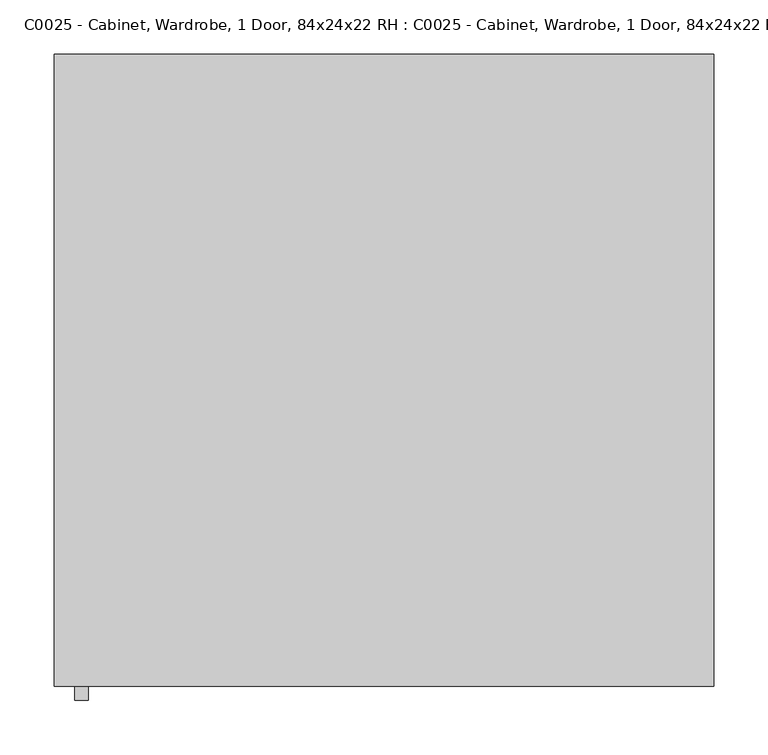
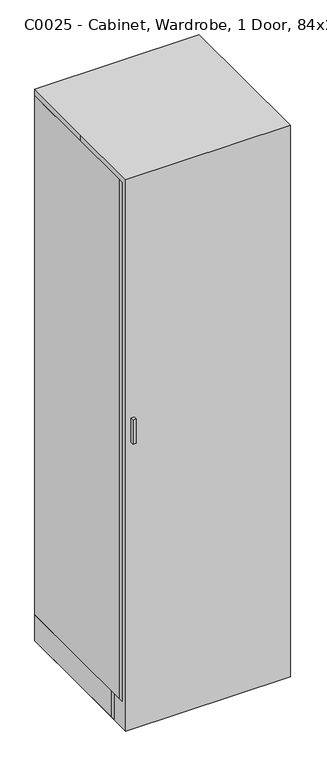
"""IFC4 building model written with IfcOpenShell, lengths in millimetres: proxy geometry, C0025 - Cabinet, Wardrobe, 1 Door, 84x24x22 RH : C0025 - Cabinet, Wardrobe, 1 Door, 84x24x22 RH."""

from ifc_helpers import new_model, si_unit, point, frame, frame_2d, origin, origin_with_axes, place, context, project, spatial, polyline, circle_curve, trimmed, segment, composite_curve, outline, extrude, source, transform, mapped, element, save


def c0025_cabinet_wardrobe_1_door_84x24x22_rh_c0025_cabinet_5a9cb3e1(model_context):
    return source(origin(), model_context, "Body", "SweptSolid", [
        extrude(outline(polyline([(-304.7810937, 1219.2), (-266.7, 1219.2), (-266.7, 1206.5303499), (-292.1114436, 1206.5303499), (-292.1114436, 1136.6574627), (-266.7, 1136.6574627), (-266.7, 1123.9878126), (-304.7810937, 1123.9878126), (-304.7810937, 1219.2)])), frame((-285.6011719, 0.0, 0.0), z_axis=(1.0, 0.0, 0.0), x_axis=(0.0, 1.0, 0.0)), (0.0, 0.0, 1.0), 12.4023437),
        extrude(outline(polyline([(-304.8, -247.65), (-304.8, 292.1), (-285.75, 292.1), (-285.75, -247.65), (-304.8, -247.65)])), frame((0.0, 0.0, 101.6), z_axis=(0.0, 0.0, 1.0), x_axis=(1.0, 0.0, 0.0)), (0.0, 0.0, 1.0), 2032.0),
        extrude(outline(polyline([(304.8, 292.1), (304.8, -247.65), (285.75, -247.65), (285.75, 292.1), (304.8, 292.1)])), frame((0.0, 0.0, 101.6), z_axis=(0.0, 0.0, 1.0), x_axis=(1.0, 0.0, 0.0)), (0.0, 0.0, 1.0), 2032.0),
        extrude(outline(composite_curve([segment(trimmed(circle_curve(frame_2d((0.0, 1572.32055)), 12.7), [point((-12.7, 1572.32055))], [point((12.7, 1572.32055))], False, "CARTESIAN"), True, "CONTINUOUS"), segment(trimmed(circle_curve(frame_2d((0.0, 1572.32055)), 12.7), [point((12.7, 1572.32055))], [point((-12.7, 1572.32055))], False, "CARTESIAN"), True, "CONTINUOUS")], self_intersect=False)), frame((-285.75, 0.0, 0.0), z_axis=(1.0, 0.0, 0.0), x_axis=(0.0, 1.0, 0.0)), (0.0, 0.0, 1.0), 571.5),
        extrude(outline(polyline([(285.75, -247.65), (-285.75, -247.65), (-285.75, 273.05), (285.75, 273.05), (285.75, -247.65)])), frame((0.0, 0.0, 1689.1), z_axis=(0.0, 0.0, 1.0), x_axis=(1.0, 0.0, 0.0)), (0.0, 0.0, 1.0), 25.4),
        extrude(outline(polyline([(285.75, 292.1), (285.75, -247.65), (-285.75, -247.65), (-285.75, 292.1), (285.75, 292.1)])), frame((0.0, 0.0, 2114.55), z_axis=(0.0, 0.0, 1.0), x_axis=(1.0, 0.0, 0.0)), (0.0, 0.0, 1.0), 19.05),
        extrude(outline(polyline([(304.8, -266.7), (-304.8, -266.7), (-304.8, -247.65), (304.8, -247.65), (304.8, -266.7)])), frame((0.0, 0.0, 101.6), z_axis=(0.0, 0.0, 1.0), x_axis=(1.0, 0.0, 0.0)), (0.0, 0.0, 1.0), 2032.0),
        extrude(outline(polyline([(285.75, 273.05), (-285.75, 273.05), (-285.75, 292.1), (285.75, 292.1), (285.75, 273.05)])), origin_with_axes(), (0.0, 0.0, 1.0), 2114.55),
        extrude(outline(polyline([(-285.75, 292.1), (-285.75, -196.85), (-304.8, -196.85), (-304.8, 292.1), (-285.75, 292.1)])), origin_with_axes(), (0.0, 0.0, 1.0), 101.6),
        extrude(outline(polyline([(304.8, 292.1), (304.8, -196.85), (285.75, -196.85), (285.75, 292.1), (304.8, 292.1)])), origin_with_axes(), (0.0, 0.0, 1.0), 101.6),
        extrude(outline(polyline([(285.75, -247.65), (-285.75, -247.65), (-285.75, 273.05), (285.75, 273.05), (285.75, -247.65)])), frame((0.0, 0.0, 101.6), z_axis=(0.0, 0.0, 1.0), x_axis=(1.0, 0.0, 0.0)), (0.0, 0.0, 1.0), 25.4),
        extrude(outline(polyline([(304.8, -196.85), (304.8, -215.9), (-304.8, -215.9), (-304.8, -196.85), (304.8, -196.85)])), origin_with_axes(), (0.0, 0.0, 1.0), 101.6),
        extrude(outline(polyline([(-304.8, 292.1), (304.8, 292.1), (304.8, -292.1), (-304.8, -292.1), (-304.8, 0.0), (-304.8, 292.1)])), origin_with_axes(), (0.0, 0.0, 1.0), 2159.0),
    ])


if __name__ == "__main__":
    model = new_model("IFC4")
    model_context = context("Model", 3, world=origin())
    ifc_project = project(units=[si_unit("LENGTHUNIT", "METRE", prefix="MILLI")], contexts=[model_context])
    site = spatial("IfcSite", under=ifc_project)
    building = spatial("IfcBuilding", under=site)
    placement = place(None, origin())
    c0025_cabinet_wardrobe_1_door_84x24x22_rh_c0025_cabinet_shape = c0025_cabinet_wardrobe_1_door_84x24x22_rh_c0025_cabinet_5a9cb3e1(model_context)
    element("IfcBuildingElementProxy", 1, Name="C0025 - Cabinet, Wardrobe, 1 Door, 84x24x22 RH : C0025 - Cabinet, Wardrobe, 1 Door, 84x24x22 RH", ObjectType="C0025 - Cabinet, Wardrobe, 1 Door, 84x24x22 RH : C0025 - Cabinet, Wardrobe, 1 Door, 84x24x22 RH", at=placement, inside=building, context=model_context, shape_type="MappedRepresentation", body=[
        mapped(c0025_cabinet_wardrobe_1_door_84x24x22_rh_c0025_cabinet_shape, transform((0.0, 0.0, 0.0), x_axis=(1.0, 0.0, 0.0), y_axis=(0.0, 1.0, 0.0), z_axis=(0.0, 0.0, 1.0))),
    ])
    save(model, "model.ifc")
